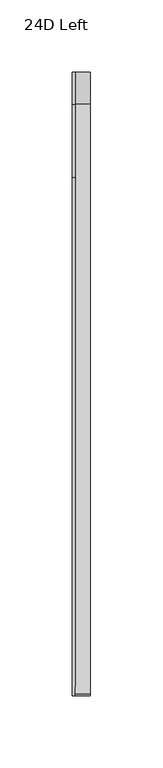
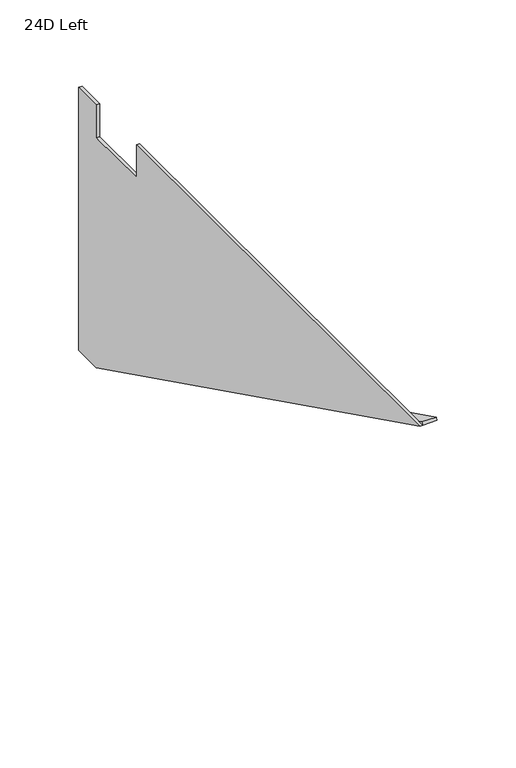
"""IFC4 building model written with IfcOpenShell, lengths in millimetres: furniture geometry, 24D Left."""

from ifc_helpers import new_model, si_unit, frame, origin, place, context, project, spatial, polyline, outline, extrude, source, transform, mapped, element, save


def furniture_24d_left_781ecdd2(model_context):
    return source(origin(), model_context, "Body", "SweptSolid", [
        extrude(outline(polyline([(254.0, 505.5235), (254.0, 503.2375), (231.775, 503.2375), (-178.0807823, 706.4375), (-177.0653655, 708.4856027), (232.3105764, 505.5235), (254.0, 505.5235)])), frame((2.286, 0.0, 0.0), z_axis=(1.0, 0.0, 0.0), x_axis=(0.0, 1.0, 0.0)), (0.0, 0.0, 1.0), 10.414),
        extrude(outline(polyline([(254.0, 706.4375), (254.0, 503.2375), (231.775, 503.2375), (-178.0807823, 706.4375), (180.975, 706.4375), (180.975, 681.0375), (231.775, 681.0375), (231.775, 706.4375), (254.0, 706.4375)])), frame((0.0, 0.0, 0.0), z_axis=(1.0, 0.0, 0.0), x_axis=(0.0, 1.0, 0.0)), (0.0, 0.0, 1.0), 2.286),
    ])


if __name__ == "__main__":
    model = new_model("IFC4")
    model_context = context("Model", 3, world=origin())
    ifc_project = project(units=[si_unit("LENGTHUNIT", "METRE", prefix="MILLI")], contexts=[model_context])
    site = spatial("IfcSite", under=ifc_project)
    building = spatial("IfcBuilding", under=site)
    placement = place(None, origin())
    furniture_24d_left_shape = furniture_24d_left_781ecdd2(model_context)
    element("IfcFurniture", 1, ObjectType="24D Left", at=placement, inside=building, context=model_context, shape_type="MappedRepresentation", body=[
        mapped(furniture_24d_left_shape, transform((0.0, 0.0, 0.0), x_axis=(1.0, 0.0, 0.0), y_axis=(0.0, 1.0, 0.0), z_axis=(0.0, 0.0, 1.0))),
    ])
    save(model, "model.ifc")
